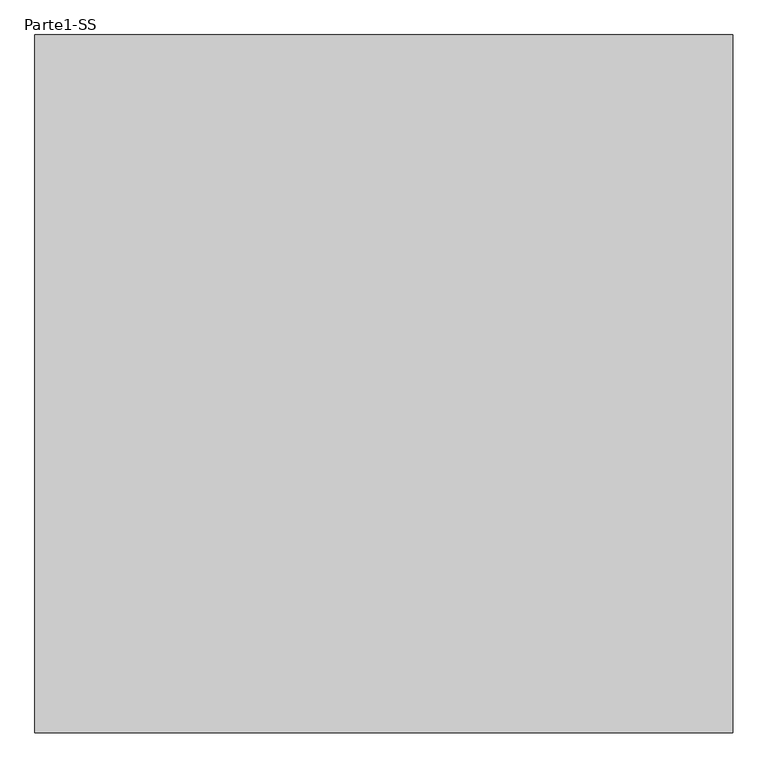
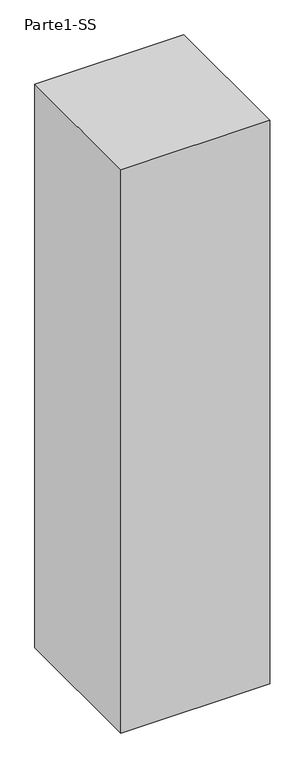
"""IFC4 building model written with IfcOpenShell, lengths in millimetres: proxy geometry, Parte1-SS."""

import ifcopenshell
import ifcopenshell.guid

model = None  # the IFC model being written
_history = None  # IfcOwnerHistory: only IFC2X3 demands one
_inside = {}  # id of a spatial element -> (the spatial element, [elements in it])
_under = {}  # id of a project, library or spatial element -> (it, [spatial elements below it])
_declared = {}  # id of a project -> (the project, [libraries it declares])
_typed = {}  # id of a type object -> (the type object, [elements of that type])
_made_of = {}  # id of a material, layer set ... -> (it, [elements and type objects made of it])


def new_model(schema):
    """Start an empty IFC model of exactly this schema.

    Asked for "IFC4X3", IfcOpenShell would pick the latest addendum, in which some entities
    have other attributes; the version numbers below select the first issue.
    IFC2X3 requires an IfcOwnerHistory on every rooted entity: one is made here for all.
    """
    global model, _history
    if schema == "IFC4X3":
        model = ifcopenshell.file(schema_version=(4, 3, 0, 0))
    else:
        model = ifcopenshell.file(schema=schema)
    _inside.clear()
    _under.clear()
    _declared.clear()
    _typed.clear()
    _made_of.clear()
    _history = None
    if model.schema == "IFC2X3":
        org = make("IfcOrganization", Name="unknown")
        user = make(
            "IfcPersonAndOrganization",
            ThePerson=make("IfcPerson", FamilyName="unknown"),
            TheOrganization=org,
        )
        app = make(
            "IfcApplication",
            ApplicationDeveloper=org,
            Version="unknown",
            ApplicationFullName="unknown",
            ApplicationIdentifier="unknown",
        )
        _history = make(
            "IfcOwnerHistory",
            OwningUser=user,
            OwningApplication=app,
            ChangeAction="ADDED",
            CreationDate=0,
        )
    return model


def make(cls, **values):
    """One entity of the class cls with the attributes given. An attribute that is None is left unset."""
    return model.create_entity(
        cls, **{name: value for name, value in values.items() if value is not None}
    )


def rooted(cls, **values):
    """An entity with a GlobalId (a new one), such as an element, a storey or a relation."""
    return make(cls, GlobalId=ifcopenshell.guid.new(), OwnerHistory=_history, **values)


def si_unit(unit_type, name, prefix=None):
    """IfcSIUnit, for example si_unit("LENGTHUNIT", "METRE", prefix="MILLI")."""
    return make("IfcSIUnit", UnitType=unit_type, Prefix=prefix, Name=name)


def assignment(units):
    """IfcUnitAssignment: the units of a project."""
    return None if units is None else make("IfcUnitAssignment", Units=units)


def point(xyz):
    """IfcCartesianPoint."""
    return None if xyz is None else make("IfcCartesianPoint", Coordinates=xyz)


def direction(xyz):
    """IfcDirection."""
    return None if xyz is None else make("IfcDirection", DirectionRatios=xyz)


def frame(location, z_axis=None, x_axis=None):
    """IfcAxis2Placement3D, a coordinate frame: its origin and axes. An axis left out is left unset."""
    return make(
        "IfcAxis2Placement3D",
        Location=point(location),
        Axis=direction(z_axis),
        RefDirection=direction(x_axis),
    )


def origin():
    """The frame at (0, 0, 0) with its axes left unset."""
    return frame((0.0, 0.0, 0.0))


def place(relative_to, where):
    """IfcLocalPlacement: puts the frame where relative to a parent placement (None: the world)."""
    return make(
        "IfcLocalPlacement", PlacementRelTo=relative_to, RelativePlacement=where
    )


def context(
    kind, dimensions, precision=None, world=None, true_north=None, identifier=None
):
    """IfcGeometricRepresentationContext, for example the 3D "Model" context."""
    return make(
        "IfcGeometricRepresentationContext",
        ContextIdentifier=identifier,
        ContextType=kind,
        CoordinateSpaceDimension=dimensions,
        Precision=precision,
        WorldCoordinateSystem=world,
        TrueNorth=true_north,
    )


def project(units=None, contexts=None):
    """IfcProject with its units and contexts."""
    return rooted(
        "IfcProject",
        Name="project",
        RepresentationContexts=contexts,
        UnitsInContext=assignment(units),
    )


def spatial(cls, under=None, at=None, **own):
    """A site, building, storey or space (cls), placed at a placement, below another one or the project."""
    s = rooted(cls, ObjectPlacement=at, **own)
    if under is not None:
        _under.setdefault(under.id(), (under, []))[1].append(s)
    return s


def polyline(points):
    """IfcPolyline through the points."""
    return make("IfcPolyline", Points=[point(p) for p in points])


def outline(outer, holes=None, kind="AREA"):
    """IfcArbitraryClosedProfileDef: a profile drawn as a closed curve; with holes, ...WithVoids."""
    if holes is None:
        return make("IfcArbitraryClosedProfileDef", ProfileType=kind, OuterCurve=outer)
    return make(
        "IfcArbitraryProfileDefWithVoids",
        ProfileType=kind,
        OuterCurve=outer,
        InnerCurves=holes,
    )


def extrude(swept, where, along, depth):
    """IfcExtrudedAreaSolid: the profile swept, set in the frame where, extruded along a direction by depth."""
    return make(
        "IfcExtrudedAreaSolid",
        SweptArea=swept,
        Position=where,
        ExtrudedDirection=direction(along),
        Depth=depth,
    )


def shape(context_of_items, identifier, shape_type, items):
    """IfcShapeRepresentation: the items that make up one representation, for example the "Body"."""
    return make(
        "IfcShapeRepresentation",
        ContextOfItems=context_of_items,
        RepresentationIdentifier=identifier,
        RepresentationType=shape_type,
        Items=items,
    )


def source(mapping_origin, context_of_items, identifier, shape_type, items):
    """IfcRepresentationMap: a shape defined once, which mapped items show again and again."""
    return make(
        "IfcRepresentationMap",
        MappingOrigin=mapping_origin,
        MappedRepresentation=shape(context_of_items, identifier, shape_type, items),
    )


def transform(
    local_origin,
    x_axis=None,
    y_axis=None,
    z_axis=None,
    scale=None,
    scale2=None,
    scale3=None,
    uniform=True,
):
    """IfcCartesianTransformationOperator3D, or its non-uniform kind. x_axis, y_axis, z_axis: its Axis1, 2, 3."""
    if uniform:
        return make(
            "IfcCartesianTransformationOperator3D",
            Axis1=direction(x_axis),
            Axis2=direction(y_axis),
            LocalOrigin=point(local_origin),
            Scale=scale,
            Axis3=direction(z_axis),
        )
    return make(
        "IfcCartesianTransformationOperator3DnonUniform",
        Axis1=direction(x_axis),
        Axis2=direction(y_axis),
        LocalOrigin=point(local_origin),
        Scale=scale,
        Axis3=direction(z_axis),
        Scale2=scale2,
        Scale3=scale3,
    )


def mapped(mapping_source, mapping_target):
    """IfcMappedItem: shows the shape of a source again, moved by a transform."""
    return make(
        "IfcMappedItem", MappingSource=mapping_source, MappingTarget=mapping_target
    )


def made_of(thing, what):
    """Note that an element or type object is made of a material, layer set ...; save() writes the relation."""
    if what is not None:
        _made_of.setdefault(what.id(), (what, []))[1].append(thing)
    return thing


def element(
    cls,
    number,
    at=None,
    inside=None,
    cuts=None,
    type_object=None,
    material=None,
    context=None,
    identifier="Body",
    shape_type=None,
    held_by="IfcProductDefinitionShape",
    body=None,
    shapes=None,
    **own,
):
    """One element of the class cls, such as IfcWall. Its Tag is "e" and its number.

    at: its placement. inside: the storey or other place that contains it. cuts: it is an
    opening in that element (IfcRelVoidsElement). A single representation is given by context,
    identifier, shape_type and body (its items); several are given by shapes. held_by: the class
    of the entity that holds the representations. save() writes the other relations.
    """
    e = rooted(cls, Tag="e%d" % number, ObjectPlacement=at, **own)
    if body is not None:
        shapes = [shape(context, identifier, shape_type, body)]
    if shapes is not None:
        e.Representation = make(held_by, Representations=shapes)
    if inside is not None:
        _inside.setdefault(inside.id(), (inside, []))[1].append(e)
    if cuts is not None:
        rooted(
            "IfcRelVoidsElement", RelatingBuildingElement=cuts, RelatedOpeningElement=e
        )
    if type_object is not None:
        _typed.setdefault(type_object.id(), (type_object, []))[1].append(e)
    return made_of(e, material)


def aggregate(whole, parts):
    """IfcRelAggregates: a whole, such as a stair, and the parts it consists of."""
    return rooted("IfcRelAggregates", RelatingObject=whole, RelatedObjects=parts)


def save(model, path):
    """Write the relations noted so far, then the file.

    IfcRelAggregates (storeys below a building ...), IfcRelContainedInSpatialStructure (elements
    in a storey), IfcRelDefinesByType, IfcRelAssociatesMaterial and IfcRelDeclares: one each for
    every whole, place, type object, material and project.
    """
    for whole, parts in _under.values():
        aggregate(whole, parts)
    for where, things in _inside.values():
        rooted(
            "IfcRelContainedInSpatialStructure",
            RelatedElements=things,
            RelatingStructure=where,
        )
    for kind, things in _typed.values():
        rooted("IfcRelDefinesByType", RelatedObjects=things, RelatingType=kind)
    for what, things in _made_of.values():
        rooted("IfcRelAssociatesMaterial", RelatedObjects=things, RelatingMaterial=what)
    for by, libraries in _declared.values():
        rooted("IfcRelDeclares", RelatingContext=by, RelatedDefinitions=libraries)
    model.write(path)


def parte1_ss_ff4981ce(model_context):
    return source(origin(), model_context, "Body", "SweptSolid", [
        extrude(outline(polyline([(10000.0, 10000.0), (10000.0, 0.0), (0.0, 0.0), (0.0, 10000.0), (10000.0, 10000.0)])), frame((0.0, 0.0, 5000.0), z_axis=(0.0, 0.0, 1.0), x_axis=(1.0, 0.0, 0.0)), (0.0, 0.0, 1.0), 40000.0),
    ])


if __name__ == "__main__":
    model = new_model("IFC4")
    model_context = context("Model", 3, world=origin())
    ifc_project = project(units=[si_unit("LENGTHUNIT", "METRE", prefix="MILLI")], contexts=[model_context])
    site = spatial("IfcSite", under=ifc_project)
    building = spatial("IfcBuilding", under=site)
    placement = place(None, origin())
    parte1_ss_shape = parte1_ss_ff4981ce(model_context)
    element("IfcBuildingElementProxy", 1, Name="Parte1-SS", ObjectType="Parte1-SS", at=placement, inside=building, context=model_context, shape_type="MappedRepresentation", body=[
        mapped(parte1_ss_shape, transform((0.0, 0.0, 0.0), x_axis=(1.0, 0.0, 0.0), y_axis=(0.0, 1.0, 0.0), z_axis=(0.0, 0.0, 1.0))),
    ])
    save(model, "model.ifc")
